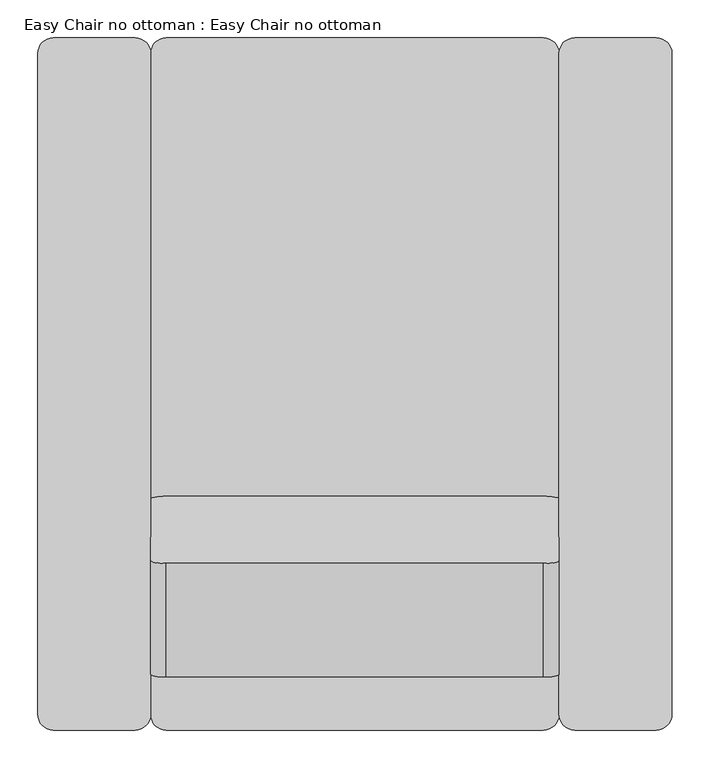
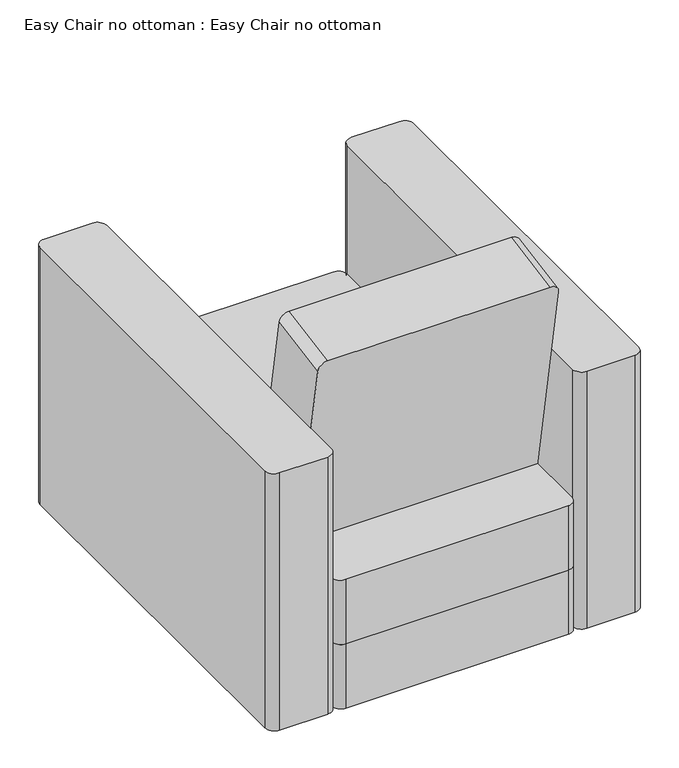
"""IFC4 building model written with IfcOpenShell, lengths in millimetres: furniture geometry, Easy Chair no ottoman : Easy Chair no ottoman."""

import ifcopenshell
import ifcopenshell.guid

model = None  # the IFC model being written
_history = None  # IfcOwnerHistory: only IFC2X3 demands one
_inside = {}  # id of a spatial element -> (the spatial element, [elements in it])
_under = {}  # id of a project, library or spatial element -> (it, [spatial elements below it])
_declared = {}  # id of a project -> (the project, [libraries it declares])
_typed = {}  # id of a type object -> (the type object, [elements of that type])
_made_of = {}  # id of a material, layer set ... -> (it, [elements and type objects made of it])


def new_model(schema):
    """Start an empty IFC model of exactly this schema.

    Asked for "IFC4X3", IfcOpenShell would pick the latest addendum, in which some entities
    have other attributes; the version numbers below select the first issue.
    IFC2X3 requires an IfcOwnerHistory on every rooted entity: one is made here for all.
    """
    global model, _history
    if schema == "IFC4X3":
        model = ifcopenshell.file(schema_version=(4, 3, 0, 0))
    else:
        model = ifcopenshell.file(schema=schema)
    _inside.clear()
    _under.clear()
    _declared.clear()
    _typed.clear()
    _made_of.clear()
    _history = None
    if model.schema == "IFC2X3":
        org = make("IfcOrganization", Name="unknown")
        user = make(
            "IfcPersonAndOrganization",
            ThePerson=make("IfcPerson", FamilyName="unknown"),
            TheOrganization=org,
        )
        app = make(
            "IfcApplication",
            ApplicationDeveloper=org,
            Version="unknown",
            ApplicationFullName="unknown",
            ApplicationIdentifier="unknown",
        )
        _history = make(
            "IfcOwnerHistory",
            OwningUser=user,
            OwningApplication=app,
            ChangeAction="ADDED",
            CreationDate=0,
        )
    return model


def make(cls, **values):
    """One entity of the class cls with the attributes given. An attribute that is None is left unset."""
    return model.create_entity(
        cls, **{name: value for name, value in values.items() if value is not None}
    )


def rooted(cls, **values):
    """An entity with a GlobalId (a new one), such as an element, a storey or a relation."""
    return make(cls, GlobalId=ifcopenshell.guid.new(), OwnerHistory=_history, **values)


def si_unit(unit_type, name, prefix=None):
    """IfcSIUnit, for example si_unit("LENGTHUNIT", "METRE", prefix="MILLI")."""
    return make("IfcSIUnit", UnitType=unit_type, Prefix=prefix, Name=name)


def assignment(units):
    """IfcUnitAssignment: the units of a project."""
    return None if units is None else make("IfcUnitAssignment", Units=units)


def point(xyz):
    """IfcCartesianPoint."""
    return None if xyz is None else make("IfcCartesianPoint", Coordinates=xyz)


def direction(xyz):
    """IfcDirection."""
    return None if xyz is None else make("IfcDirection", DirectionRatios=xyz)


def frame(location, z_axis=None, x_axis=None):
    """IfcAxis2Placement3D, a coordinate frame: its origin and axes. An axis left out is left unset."""
    return make(
        "IfcAxis2Placement3D",
        Location=point(location),
        Axis=direction(z_axis),
        RefDirection=direction(x_axis),
    )


def frame_2d(location, x_axis=None):
    """IfcAxis2Placement2D, a coordinate frame in the plane: its origin and x axis."""
    return make(
        "IfcAxis2Placement2D", Location=point(location), RefDirection=direction(x_axis)
    )


def origin():
    """The frame at (0, 0, 0) with its axes left unset."""
    return frame((0.0, 0.0, 0.0))


def origin_with_axes():
    """The frame at (0, 0, 0) with the z axis (0, 0, 1) and the x axis (1, 0, 0) written out."""
    return frame((0.0, 0.0, 0.0), z_axis=(0.0, 0.0, 1.0), x_axis=(1.0, 0.0, 0.0))


def place(relative_to, where):
    """IfcLocalPlacement: puts the frame where relative to a parent placement (None: the world)."""
    return make(
        "IfcLocalPlacement", PlacementRelTo=relative_to, RelativePlacement=where
    )


def context(
    kind, dimensions, precision=None, world=None, true_north=None, identifier=None
):
    """IfcGeometricRepresentationContext, for example the 3D "Model" context."""
    return make(
        "IfcGeometricRepresentationContext",
        ContextIdentifier=identifier,
        ContextType=kind,
        CoordinateSpaceDimension=dimensions,
        Precision=precision,
        WorldCoordinateSystem=world,
        TrueNorth=true_north,
    )


def project(units=None, contexts=None):
    """IfcProject with its units and contexts."""
    return rooted(
        "IfcProject",
        Name="project",
        RepresentationContexts=contexts,
        UnitsInContext=assignment(units),
    )


def spatial(cls, under=None, at=None, **own):
    """A site, building, storey or space (cls), placed at a placement, below another one or the project."""
    s = rooted(cls, ObjectPlacement=at, **own)
    if under is not None:
        _under.setdefault(under.id(), (under, []))[1].append(s)
    return s


def polyline(points):
    """IfcPolyline through the points."""
    return make("IfcPolyline", Points=[point(p) for p in points])


def circle_curve(where, radius):
    """IfcCircle in the frame where."""
    return make("IfcCircle", Position=where, Radius=radius)


def trimmed(basis, trim1, trim2, sense, master):
    """IfcTrimmedCurve: the piece of a basis curve between two trims."""
    return make(
        "IfcTrimmedCurve",
        BasisCurve=basis,
        Trim1=trim1,
        Trim2=trim2,
        SenseAgreement=sense,
        MasterRepresentation=master,
    )


def segment(curve, same_sense, transition):
    """IfcCompositeCurveSegment."""
    return make(
        "IfcCompositeCurveSegment",
        Transition=transition,
        SameSense=same_sense,
        ParentCurve=curve,
    )


def composite_curve(segments, self_intersect=None):
    """IfcCompositeCurve: segments joined end to end."""
    return make("IfcCompositeCurve", Segments=segments, SelfIntersect=self_intersect)


def outline(outer, holes=None, kind="AREA"):
    """IfcArbitraryClosedProfileDef: a profile drawn as a closed curve; with holes, ...WithVoids."""
    if holes is None:
        return make("IfcArbitraryClosedProfileDef", ProfileType=kind, OuterCurve=outer)
    return make(
        "IfcArbitraryProfileDefWithVoids",
        ProfileType=kind,
        OuterCurve=outer,
        InnerCurves=holes,
    )


def extrude(swept, where, along, depth):
    """IfcExtrudedAreaSolid: the profile swept, set in the frame where, extruded along a direction by depth."""
    return make(
        "IfcExtrudedAreaSolid",
        SweptArea=swept,
        Position=where,
        ExtrudedDirection=direction(along),
        Depth=depth,
    )


def shape(context_of_items, identifier, shape_type, items):
    """IfcShapeRepresentation: the items that make up one representation, for example the "Body"."""
    return make(
        "IfcShapeRepresentation",
        ContextOfItems=context_of_items,
        RepresentationIdentifier=identifier,
        RepresentationType=shape_type,
        Items=items,
    )


def source(mapping_origin, context_of_items, identifier, shape_type, items):
    """IfcRepresentationMap: a shape defined once, which mapped items show again and again."""
    return make(
        "IfcRepresentationMap",
        MappingOrigin=mapping_origin,
        MappedRepresentation=shape(context_of_items, identifier, shape_type, items),
    )


def transform(
    local_origin,
    x_axis=None,
    y_axis=None,
    z_axis=None,
    scale=None,
    scale2=None,
    scale3=None,
    uniform=True,
):
    """IfcCartesianTransformationOperator3D, or its non-uniform kind. x_axis, y_axis, z_axis: its Axis1, 2, 3."""
    if uniform:
        return make(
            "IfcCartesianTransformationOperator3D",
            Axis1=direction(x_axis),
            Axis2=direction(y_axis),
            LocalOrigin=point(local_origin),
            Scale=scale,
            Axis3=direction(z_axis),
        )
    return make(
        "IfcCartesianTransformationOperator3DnonUniform",
        Axis1=direction(x_axis),
        Axis2=direction(y_axis),
        LocalOrigin=point(local_origin),
        Scale=scale,
        Axis3=direction(z_axis),
        Scale2=scale2,
        Scale3=scale3,
    )


def mapped(mapping_source, mapping_target):
    """IfcMappedItem: shows the shape of a source again, moved by a transform."""
    return make(
        "IfcMappedItem", MappingSource=mapping_source, MappingTarget=mapping_target
    )


def made_of(thing, what):
    """Note that an element or type object is made of a material, layer set ...; save() writes the relation."""
    if what is not None:
        _made_of.setdefault(what.id(), (what, []))[1].append(thing)
    return thing


def element(
    cls,
    number,
    at=None,
    inside=None,
    cuts=None,
    type_object=None,
    material=None,
    context=None,
    identifier="Body",
    shape_type=None,
    held_by="IfcProductDefinitionShape",
    body=None,
    shapes=None,
    **own,
):
    """One element of the class cls, such as IfcWall. Its Tag is "e" and its number.

    at: its placement. inside: the storey or other place that contains it. cuts: it is an
    opening in that element (IfcRelVoidsElement). A single representation is given by context,
    identifier, shape_type and body (its items); several are given by shapes. held_by: the class
    of the entity that holds the representations. save() writes the other relations.
    """
    e = rooted(cls, Tag="e%d" % number, ObjectPlacement=at, **own)
    if body is not None:
        shapes = [shape(context, identifier, shape_type, body)]
    if shapes is not None:
        e.Representation = make(held_by, Representations=shapes)
    if inside is not None:
        _inside.setdefault(inside.id(), (inside, []))[1].append(e)
    if cuts is not None:
        rooted(
            "IfcRelVoidsElement", RelatingBuildingElement=cuts, RelatedOpeningElement=e
        )
    if type_object is not None:
        _typed.setdefault(type_object.id(), (type_object, []))[1].append(e)
    return made_of(e, material)


def aggregate(whole, parts):
    """IfcRelAggregates: a whole, such as a stair, and the parts it consists of."""
    return rooted("IfcRelAggregates", RelatingObject=whole, RelatedObjects=parts)


def save(model, path):
    """Write the relations noted so far, then the file.

    IfcRelAggregates (storeys below a building ...), IfcRelContainedInSpatialStructure (elements
    in a storey), IfcRelDefinesByType, IfcRelAssociatesMaterial and IfcRelDeclares: one each for
    every whole, place, type object, material and project.
    """
    for whole, parts in _under.values():
        aggregate(whole, parts)
    for where, things in _inside.values():
        rooted(
            "IfcRelContainedInSpatialStructure",
            RelatedElements=things,
            RelatingStructure=where,
        )
    for kind, things in _typed.values():
        rooted("IfcRelDefinesByType", RelatedObjects=things, RelatingType=kind)
    for what, things in _made_of.values():
        rooted("IfcRelAssociatesMaterial", RelatedObjects=things, RelatingMaterial=what)
    for by, libraries in _declared.values():
        rooted("IfcRelDeclares", RelatingContext=by, RelatedDefinitions=libraries)
    model.write(path)


def easy_chair_no_ottoman_easy_chair_no_ottoman_32fd47fe(model_context):
    return source(origin(), model_context, "Body", "SweptSolid", [
        extrude(outline(composite_curve([segment(trimmed(circle_curve(frame_2d((0.0, -20.6375)), 20.6375), [point((0.0, -41.275))], [point((-20.6375, -20.6375))], False, "CARTESIAN"), True, "CONTINUOUS"), segment(polyline([(-20.6375, -20.6375), (-20.6375, 477.8375)]), True, "CONTINUOUS"), segment(trimmed(circle_curve(frame_2d((0.0, 477.8375)), 20.6375), [point((-20.6375, 477.8375))], [point((0.0, 498.475))], False, "CARTESIAN"), True, "CONTINUOUS"), segment(polyline([(0.0, 498.475), (469.4861086, 498.475)]), True, "CONTINUOUS"), segment(trimmed(circle_curve(frame_2d((469.4861086, 477.8375)), 20.6375), [point((469.4861086, 498.475))], [point((490.1236086, 477.8375))], False, "CARTESIAN"), True, "CONTINUOUS"), segment(polyline([(490.1236086, 477.8375), (490.1236086, -20.6375)]), True, "CONTINUOUS"), segment(trimmed(circle_curve(frame_2d((469.4861086, -20.6375)), 20.6375), [point((490.1236086, -20.6375))], [point((469.4861086, -41.275))], False, "CARTESIAN"), True, "CONTINUOUS"), segment(polyline([(469.4861086, -41.275), (0.0, -41.275)]), True, "CONTINUOUS")], self_intersect=False)), frame((190.5, 155.2002294, 298.6599877), z_axis=(0.0, 0.9848077530122072, 0.17364817766693533), x_axis=(0.0, -0.17364817766693533, 0.9848077530122072)), (0.0, 0.0, 1.0), 152.4),
        extrude(outline(composite_curve([segment(polyline([(149.225, 20.6375), (149.225, 893.7625)]), True, "CONTINUOUS"), segment(trimmed(circle_curve(frame_2d((169.8625, 893.7625)), 20.6375), [point((149.225, 893.7625))], [point((169.8625, 914.4))], False, "CARTESIAN"), True, "CONTINUOUS"), segment(polyline([(169.8625, 914.4), (668.3375, 914.4)]), True, "CONTINUOUS"), segment(trimmed(circle_curve(frame_2d((668.3375, 893.7625)), 20.6375), [point((668.3375, 914.4))], [point((688.975, 893.7625))], False, "CARTESIAN"), True, "CONTINUOUS"), segment(polyline([(688.975, 893.7625), (688.975, 20.6375)]), True, "CONTINUOUS"), segment(trimmed(circle_curve(frame_2d((668.3375, 20.6375)), 20.6375), [point((688.975, 20.6375))], [point((668.3375, 0.0))], False, "CARTESIAN"), True, "CONTINUOUS"), segment(polyline([(668.3375, 0.0), (169.8625, 0.0)]), True, "CONTINUOUS"), segment(trimmed(circle_curve(frame_2d((169.8625, 20.6375)), 20.6375), [point((169.8625, 0.0))], [point((149.225, 20.6375))], False, "CARTESIAN"), True, "CONTINUOUS")], self_intersect=False)), frame((0.0, 0.0, 152.4), z_axis=(0.0, 0.0, 1.0), x_axis=(1.0, 0.0, 0.0)), (0.0, 0.0, 1.0), 152.4),
        extrude(outline(composite_curve([segment(polyline([(149.225, 20.6375), (149.225, 861.0215802)]), True, "CONTINUOUS"), segment(trimmed(circle_curve(frame_2d((169.8625, 861.0215802)), 20.6375), [point((149.225, 861.0215802))], [point((169.8625, 881.6590802))], False, "CARTESIAN"), True, "CONTINUOUS"), segment(polyline([(169.8625, 881.6590802), (668.3375, 881.6590802)]), True, "CONTINUOUS"), segment(trimmed(circle_curve(frame_2d((668.3375, 861.0215802)), 20.6375), [point((668.3375, 881.6590802))], [point((688.975, 861.0215802))], False, "CARTESIAN"), True, "CONTINUOUS"), segment(polyline([(688.975, 861.0215802), (688.975, 20.6375)]), True, "CONTINUOUS"), segment(trimmed(circle_curve(frame_2d((668.3375, 20.6375)), 20.6375), [point((688.975, 20.6375))], [point((668.3375, 0.0))], False, "CARTESIAN"), True, "CONTINUOUS"), segment(polyline([(668.3375, 0.0), (169.8625, 0.0)]), True, "CONTINUOUS"), segment(trimmed(circle_curve(frame_2d((169.8625, 20.6375)), 20.6375), [point((169.8625, 0.0))], [point((149.225, 20.6375))], False, "CARTESIAN"), True, "CONTINUOUS")], self_intersect=False)), origin_with_axes(), (0.0, 0.0, 1.0), 152.4),
        extrude(outline(composite_curve([segment(trimmed(circle_curve(frame_2d((20.6375, 893.7625)), 20.6375), [point((0.0, 893.7625))], [point((20.6375, 914.4))], False, "CARTESIAN"), True, "CONTINUOUS"), segment(polyline([(20.6375, 914.4), (128.5875, 914.4)]), True, "CONTINUOUS"), segment(trimmed(circle_curve(frame_2d((128.5875, 893.7625)), 20.6375), [point((128.5875, 914.4))], [point((149.225, 893.7625))], False, "CARTESIAN"), True, "CONTINUOUS"), segment(polyline([(149.225, 893.7625), (149.225, 20.6375)]), True, "CONTINUOUS"), segment(trimmed(circle_curve(frame_2d((128.5875, 20.6375)), 20.6375), [point((149.225, 20.6375))], [point((128.5875, 0.0))], False, "CARTESIAN"), True, "CONTINUOUS"), segment(polyline([(128.5875, 0.0), (20.6375, 0.0)]), True, "CONTINUOUS"), segment(trimmed(circle_curve(frame_2d((20.6375, 20.6375)), 20.6375), [point((20.6375, 0.0))], [point((0.0, 20.6375))], False, "CARTESIAN"), True, "CONTINUOUS"), segment(polyline([(0.0, 20.6375), (0.0, 893.7625)]), True, "CONTINUOUS")], self_intersect=False)), origin_with_axes(), (0.0, 0.0, 1.0), 609.6),
        extrude(outline(composite_curve([segment(trimmed(circle_curve(frame_2d((709.6125, 893.7625)), 20.6375), [point((688.975, 893.7625))], [point((709.6125, 914.4))], False, "CARTESIAN"), True, "CONTINUOUS"), segment(polyline([(709.6125, 914.4), (817.5625, 914.4)]), True, "CONTINUOUS"), segment(trimmed(circle_curve(frame_2d((817.5625, 893.7625)), 20.6375), [point((817.5625, 914.4))], [point((838.2, 893.7625))], False, "CARTESIAN"), True, "CONTINUOUS"), segment(polyline([(838.2, 893.7625), (838.2, 20.6375)]), True, "CONTINUOUS"), segment(trimmed(circle_curve(frame_2d((817.5625, 20.6375)), 20.6375), [point((838.2, 20.6375))], [point((817.5625, 0.0))], False, "CARTESIAN"), True, "CONTINUOUS"), segment(polyline([(817.5625, 0.0), (709.6125, 0.0)]), True, "CONTINUOUS"), segment(trimmed(circle_curve(frame_2d((709.6125, 20.6375)), 20.6375), [point((709.6125, 0.0))], [point((688.975, 20.6375))], False, "CARTESIAN"), True, "CONTINUOUS"), segment(polyline([(688.975, 20.6375), (688.975, 893.7625)]), True, "CONTINUOUS")], self_intersect=False)), origin_with_axes(), (0.0, 0.0, 1.0), 609.6),
    ])


if __name__ == "__main__":
    model = new_model("IFC4")
    model_context = context("Model", 3, world=origin())
    ifc_project = project(units=[si_unit("LENGTHUNIT", "METRE", prefix="MILLI")], contexts=[model_context])
    site = spatial("IfcSite", under=ifc_project)
    building = spatial("IfcBuilding", under=site)
    placement = place(None, origin())
    easy_chair_no_ottoman_easy_chair_no_ottoman_shape = easy_chair_no_ottoman_easy_chair_no_ottoman_32fd47fe(model_context)
    element("IfcFurniture", 1, ObjectType="Easy Chair no ottoman : Easy Chair no ottoman", at=placement, inside=building, context=model_context, shape_type="MappedRepresentation", body=[
        mapped(easy_chair_no_ottoman_easy_chair_no_ottoman_shape, transform((0.0, 0.0, 0.0), x_axis=(1.0, 0.0, 0.0), y_axis=(0.0, 1.0, 0.0), z_axis=(0.0, 0.0, 1.0))),
    ])
    save(model, "model.ifc")
